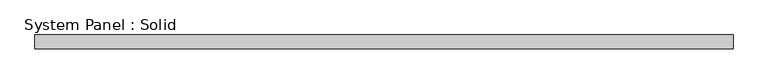
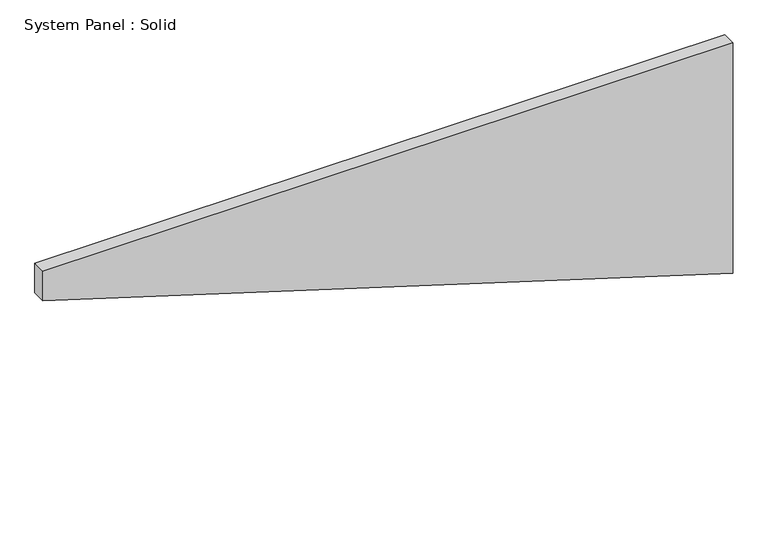
"""IFC4 building model written with IfcOpenShell, lengths in millimetres: plate geometry, System Panel : Solid."""

from ifc_helpers import new_model, si_unit, frame, origin, place, context, project, spatial, polyline, outline, extrude, source, transform, mapped, element, save


def system_panel_solid_09adb1ec(model_context):
    return source(origin(), model_context, "Body", "SweptSolid", [
        extrude(outline(polyline([(923.4646628, -1500.0), (0.0, 1500.0), (1058.0163904, 1500.0), (1058.0163904, -1500.0), (923.4646628, -1500.0)])), frame((0.0, -10.5, 0.0), z_axis=(0.0, 1.0, 0.0), x_axis=(0.0, 0.0, 1.0)), (0.0, 0.0, 1.0), 60.0),
    ])


if __name__ == "__main__":
    model = new_model("IFC4")
    model_context = context("Model", 3, world=origin())
    ifc_project = project(units=[si_unit("LENGTHUNIT", "METRE", prefix="MILLI")], contexts=[model_context])
    site = spatial("IfcSite", under=ifc_project)
    building = spatial("IfcBuilding", under=site)
    placement = place(None, origin())
    system_panel_solid_shape = system_panel_solid_09adb1ec(model_context)
    element("IfcPlate", 1, ObjectType="System Panel : Solid", at=placement, inside=building, context=model_context, shape_type="MappedRepresentation", body=[
        mapped(system_panel_solid_shape, transform((0.0, 0.0, 0.0), x_axis=(1.0, 0.0, 0.0), y_axis=(0.0, 1.0, 0.0), z_axis=(0.0, 0.0, 1.0))),
    ])
    save(model, "model.ifc")
